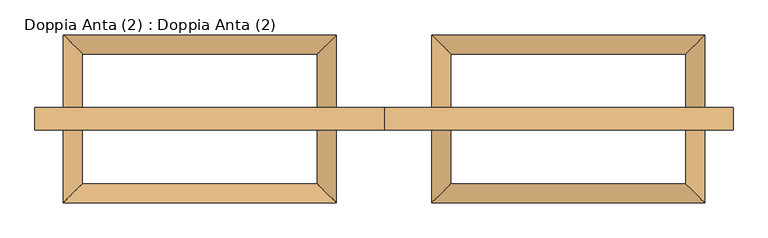
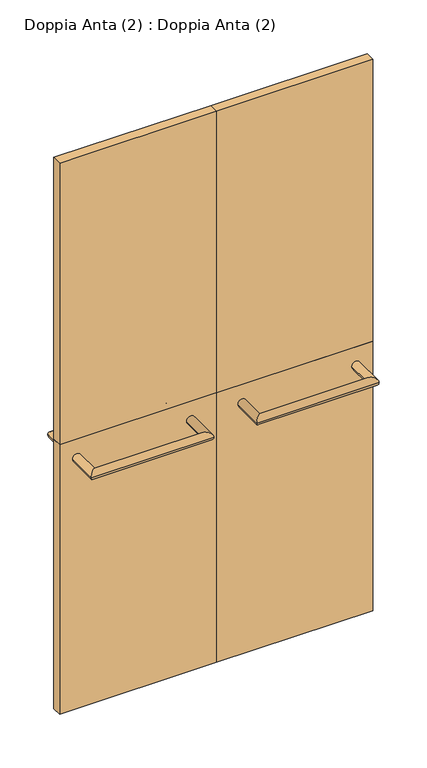
"""IFC4 building model written with IfcOpenShell, lengths in millimetres: door geometry, Doppia Anta (2) : Doppia Anta (2)."""

from ifc_helpers import new_model, si_unit, frame, origin, origin_with_axes, place, context, project, spatial, polyline, circle_curve, ellipse_curve, outline, extrude, source, transform, mapped, element, save
from ifc_brep_helpers import plane_surface, cylinder_surface, advanced_brep


def doppia_anta_2_doppia_anta_2_ed352f35(model_context):
    return source(origin(), model_context, "Body", "SolidModel", [
        extrude(outline(polyline([(0.0, 17.5), (0.0, -17.5), (-550.0, -17.5), (-550.0, 17.5), (0.0, 17.5)])), origin_with_axes(), (0.0, 0.0, 1.0), 1000.0),
        extrude(outline(polyline([(0.0, 17.5), (0.0, -17.5), (-550.0, -17.5), (-550.0, 17.5), (0.0, 17.5)])), frame((0.0, 0.0, 1000.0), z_axis=(0.0, 0.0, 1.0), x_axis=(1.0, 0.0, 0.0)), (0.0, 0.0, 1.0), 1045.0),
        extrude(outline(polyline([(550.0, 17.5), (550.0, -17.5), (0.0, -17.5), (0.0, 17.5), (550.0, 17.5)])), frame((0.0, 0.0, 1000.0), z_axis=(0.0, 0.0, 1.0), x_axis=(1.0, 0.0, 0.0)), (0.0, 0.0, 1.0), 1045.0),
        extrude(outline(polyline([(550.0, 17.5), (550.0, -17.5), (0.0, -17.5), (0.0, 17.5), (550.0, 17.5)])), origin_with_axes(), (0.0, 0.0, 1.0), 1000.0),
        advanced_brep(
        [(75.08, 17.5, 931.6623818), (105.08, 17.5, 931.6623818), (105.08, 102.5, 931.6623818), (75.08, 132.5, 931.6623818), (475.08, 102.5, 931.6623818), (505.08, 132.5, 931.6623818), (505.08, 17.5, 931.6623818), (475.08, 17.5, 931.6623818)],
        [
            (0, 1, circle_curve(frame((90.08, 17.5, 931.6623818), z_axis=(0.0, -1.0, 0.0), x_axis=(1.0, 0.0, 0.0)), 15.0)),
            (1, 0, circle_curve(frame((90.08, 17.5, 931.6623818), z_axis=(0.0, -1.0, 0.0), x_axis=(1.0, 0.0, 0.0)), 15.0)),
            (1, 2),
            (2, 3, ellipse_curve(frame((90.08, 117.5, 931.6623818), z_axis=(-0.7071067811865475, -0.7071067811865475, 0.0), x_axis=(0.7071067811865474, -0.7071067811865476, 0.0)), 21.2132034, 15.0)),
            (3, 0),
            (3, 2, ellipse_curve(frame((90.08, 117.5, 931.6623818), z_axis=(-0.7071067811865475, -0.7071067811865475, 0.0), x_axis=(0.7071067811865474, -0.7071067811865476, 0.0)), 21.2132034, 15.0)),
            (2, 4),
            (4, 5, ellipse_curve(frame((490.08, 117.5, 931.6623818), z_axis=(-0.7071067811865475, 0.7071067811865475, 0.0), x_axis=(-0.7071067811865476, -0.7071067811865474, 0.0)), 21.2132034, 15.0)),
            (5, 3),
            (5, 4, ellipse_curve(frame((490.08, 117.5, 931.6623818), z_axis=(-0.7071067811865475, 0.7071067811865475, 0.0), x_axis=(-0.7071067811865476, -0.7071067811865474, 0.0)), 21.2132034, 15.0)),
            (6, 7, circle_curve(frame((490.08, 17.5, 931.6623818), z_axis=(0.0, -1.0, 0.0), x_axis=(-1.0, 0.0, 0.0)), 15.0)),
            (7, 6, circle_curve(frame((490.08, 17.5, 931.6623818), z_axis=(0.0, -1.0, 0.0), x_axis=(-1.0, 0.0, 0.0)), 15.0)),
            (4, 7),
            (6, 5),
        ],
        [
            plane_surface(frame((90.08, 17.5, 931.6623818), z_axis=(0.0, -1.0, 0.0), x_axis=(0.0, 0.0, 1.0))),
            cylinder_surface(frame((90.08, 17.5, 931.6623818), z_axis=(0.0, -1.0, 0.0), x_axis=(1.0, 0.0, 0.0)), 15.0),
            cylinder_surface(frame((90.08, 117.5, 931.6623818), z_axis=(-1.0, 0.0, 0.0), x_axis=(0.0, -1.0, 0.0)), 15.0),
            plane_surface(frame((490.08, 17.5, 931.6623818), z_axis=(0.0, -1.0, 0.0), x_axis=(0.0, 0.0, 1.0))),
            cylinder_surface(frame((490.08, 117.5, 931.6623818), z_axis=(0.0, 1.0, 0.0), x_axis=(-1.0, 0.0, 0.0)), 15.0),
        ],
        [
            (0, [[1, 2]]),
            (1, [[3, 4, 5, -2]]),
            (1, [[-5, 6, -3, -1]]),
            (2, [[7, 8, 9, -4]]),
            (2, [[-9, 10, -7, -6]]),
            (3, [[11, 12]]),
            (4, [[13, -11, 14, -8]]),
            (4, [[-14, -12, -13, -10]]),
        ],
    ),
        advanced_brep(
        [(-505.0798099, 17.5, 931.6623818), (-475.0798099, 17.5, 931.6623818), (-475.0798099, 102.5, 931.6623818), (-505.0798099, 132.5, 931.6623818), (-105.0798099, 102.5, 931.6623818), (-75.0798099, 132.5, 931.6623818), (-75.0798099, 17.5, 931.6623818), (-105.0798099, 17.5, 931.6623818)],
        [
            (0, 1, circle_curve(frame((-490.0798099, 17.5, 931.6623818), z_axis=(0.0, -1.0, 0.0), x_axis=(1.0, 0.0, 0.0)), 15.0)),
            (1, 0, circle_curve(frame((-490.0798099, 17.5, 931.6623818), z_axis=(0.0, -1.0, 0.0), x_axis=(1.0, 0.0, 0.0)), 15.0)),
            (1, 2),
            (2, 3, ellipse_curve(frame((-490.0798099, 117.5, 931.6623818), z_axis=(-0.7071067811865475, -0.7071067811865475, 0.0), x_axis=(0.7071067811865474, -0.7071067811865476, 0.0)), 21.2132034, 15.0)),
            (3, 0),
            (3, 2, ellipse_curve(frame((-490.0798099, 117.5, 931.6623818), z_axis=(-0.7071067811865475, -0.7071067811865475, 0.0), x_axis=(0.7071067811865474, -0.7071067811865476, 0.0)), 21.2132034, 15.0)),
            (2, 4),
            (4, 5, ellipse_curve(frame((-90.0798099, 117.5, 931.6623818), z_axis=(-0.7071067811865475, 0.7071067811865475, 0.0), x_axis=(-0.7071067811865476, -0.7071067811865474, 0.0)), 21.2132034, 15.0)),
            (5, 3),
            (5, 4, ellipse_curve(frame((-90.0798099, 117.5, 931.6623818), z_axis=(-0.7071067811865475, 0.7071067811865475, 0.0), x_axis=(-0.7071067811865476, -0.7071067811865474, 0.0)), 21.2132034, 15.0)),
            (6, 7, circle_curve(frame((-90.0798099, 17.5, 931.6623818), z_axis=(0.0, -1.0, 0.0), x_axis=(-1.0, 0.0, 0.0)), 15.0)),
            (7, 6, circle_curve(frame((-90.0798099, 17.5, 931.6623818), z_axis=(0.0, -1.0, 0.0), x_axis=(-1.0, 0.0, 0.0)), 15.0)),
            (4, 7),
            (6, 5),
        ],
        [
            plane_surface(frame((-490.0798099, 17.5, 931.6623818), z_axis=(0.0, -1.0, 0.0), x_axis=(0.0, 0.0, 1.0))),
            cylinder_surface(frame((-490.0798099, 17.5, 931.6623818), z_axis=(0.0, -1.0, 0.0), x_axis=(1.0, 0.0, 0.0)), 15.0),
            cylinder_surface(frame((-490.0798099, 117.5, 931.6623818), z_axis=(-1.0, 0.0, 0.0), x_axis=(0.0, -1.0, 0.0)), 15.0),
            plane_surface(frame((-90.0798099, 17.5, 931.6623818), z_axis=(0.0, -1.0, 0.0), x_axis=(0.0, 0.0, 1.0))),
            cylinder_surface(frame((-90.0798099, 117.5, 931.6623818), z_axis=(0.0, 1.0, 0.0), x_axis=(-1.0, 0.0, 0.0)), 15.0),
        ],
        [
            (0, [[1, 2]]),
            (1, [[3, 4, 5, -2]]),
            (1, [[-5, 6, -3, -1]]),
            (2, [[7, 8, 9, -4]]),
            (2, [[-9, 10, -7, -6]]),
            (3, [[11, 12]]),
            (4, [[13, -11, 14, -8]]),
            (4, [[-14, -12, -13, -10]]),
        ],
    ),
        advanced_brep(
        [(105.08, -17.5, 931.6623818), (75.08, -17.5, 931.6623818), (75.08, -132.5, 931.6623818), (105.08, -102.5, 931.6623818), (505.08, -132.5, 931.6623818), (475.08, -102.5, 931.6623818), (475.08, -17.5, 931.6623818), (505.08, -17.5, 931.6623818)],
        [
            (0, 1, circle_curve(frame((90.08, -17.5, 931.6623818), z_axis=(0.0, 1.0, 0.0), x_axis=(-1.0, 0.0, 0.0)), 15.0)),
            (1, 0, circle_curve(frame((90.08, -17.5, 931.6623818), z_axis=(0.0, 1.0, 0.0), x_axis=(-1.0, 0.0, 0.0)), 15.0)),
            (1, 2),
            (2, 3, ellipse_curve(frame((90.08, -117.5, 931.6623818), z_axis=(-0.7071067811865475, 0.7071067811865475, 0.0), x_axis=(0.7071067811865474, 0.7071067811865476, 0.0)), 21.2132034, 15.0)),
            (3, 0),
            (3, 2, ellipse_curve(frame((90.08, -117.5, 931.6623818), z_axis=(-0.7071067811865475, 0.7071067811865475, 0.0), x_axis=(0.7071067811865474, 0.7071067811865476, 0.0)), 21.2132034, 15.0)),
            (2, 4),
            (4, 5, ellipse_curve(frame((490.08, -117.5, 931.6623818), z_axis=(-0.7071067811865475, -0.7071067811865475, 0.0), x_axis=(-0.7071067811865476, 0.7071067811865474, 0.0)), 21.2132034, 15.0)),
            (5, 3),
            (5, 4, ellipse_curve(frame((490.08, -117.5, 931.6623818), z_axis=(-0.7071067811865475, -0.7071067811865475, 0.0), x_axis=(-0.7071067811865476, 0.7071067811865474, 0.0)), 21.2132034, 15.0)),
            (6, 7, circle_curve(frame((490.08, -17.5, 931.6623818), z_axis=(0.0, 1.0, 0.0), x_axis=(1.0, 0.0, 0.0)), 15.0)),
            (7, 6, circle_curve(frame((490.08, -17.5, 931.6623818), z_axis=(0.0, 1.0, 0.0), x_axis=(1.0, 0.0, 0.0)), 15.0)),
            (4, 7),
            (6, 5),
        ],
        [
            plane_surface(frame((90.08, -17.5, 931.6623818), z_axis=(0.0, 1.0, 0.0), x_axis=(0.0, 0.0, 1.0))),
            cylinder_surface(frame((90.08, -17.5, 931.6623818), z_axis=(0.0, 1.0, 0.0), x_axis=(-1.0, 0.0, 0.0)), 15.0),
            cylinder_surface(frame((90.08, -117.5, 931.6623818), z_axis=(-1.0, 0.0, 0.0), x_axis=(0.0, -1.0, 0.0)), 15.0),
            plane_surface(frame((490.08, -17.5, 931.6623818), z_axis=(0.0, 1.0, 0.0), x_axis=(0.0, 0.0, 1.0))),
            cylinder_surface(frame((490.08, -117.5, 931.6623818), z_axis=(0.0, -1.0, 0.0), x_axis=(1.0, 0.0, 0.0)), 15.0),
        ],
        [
            (0, [[1, 2]]),
            (1, [[3, 4, 5, -2]]),
            (1, [[-5, 6, -3, -1]]),
            (2, [[7, 8, 9, -4]]),
            (2, [[-9, 10, -7, -6]]),
            (3, [[11, 12]]),
            (4, [[13, -11, 14, -8]]),
            (4, [[-14, -12, -13, -10]]),
        ],
    ),
        advanced_brep(
        [(-75.0798099, -17.5, 931.6623818), (-105.0798099, -17.5, 931.6623818), (-105.0798099, -102.5, 931.6623818), (-75.0798099, -132.5, 931.6623818), (-475.0798099, -102.5, 931.6623818), (-505.0798099, -132.5, 931.6623818), (-505.0798099, -17.5, 931.6623818), (-475.0798099, -17.5, 931.6623818)],
        [
            (0, 1, circle_curve(frame((-90.0798099, -17.5, 931.6623818), z_axis=(0.0, 1.0, 0.0), x_axis=(-1.0, 0.0, 0.0)), 15.0)),
            (1, 0, circle_curve(frame((-90.0798099, -17.5, 931.6623818), z_axis=(0.0, 1.0, 0.0), x_axis=(-1.0, 0.0, 0.0)), 15.0)),
            (1, 2),
            (2, 3, ellipse_curve(frame((-90.0798099, -117.5, 931.6623818), z_axis=(0.7071067811865475, 0.7071067811865475, 0.0), x_axis=(-0.7071067811865474, 0.7071067811865476, 0.0)), 21.2132034, 15.0)),
            (3, 0),
            (3, 2, ellipse_curve(frame((-90.0798099, -117.5, 931.6623818), z_axis=(0.7071067811865475, 0.7071067811865475, 0.0), x_axis=(-0.7071067811865474, 0.7071067811865476, 0.0)), 21.2132034, 15.0)),
            (2, 4),
            (4, 5, ellipse_curve(frame((-490.0798099, -117.5, 931.6623818), z_axis=(0.7071067811865475, -0.7071067811865475, 0.0), x_axis=(0.7071067811865476, 0.7071067811865474, 0.0)), 21.2132034, 15.0)),
            (5, 3),
            (5, 4, ellipse_curve(frame((-490.0798099, -117.5, 931.6623818), z_axis=(0.7071067811865475, -0.7071067811865475, 0.0), x_axis=(0.7071067811865476, 0.7071067811865474, 0.0)), 21.2132034, 15.0)),
            (6, 7, circle_curve(frame((-490.0798099, -17.5, 931.6623818), z_axis=(0.0, 1.0, 0.0), x_axis=(1.0, 0.0, 0.0)), 15.0)),
            (7, 6, circle_curve(frame((-490.0798099, -17.5, 931.6623818), z_axis=(0.0, 1.0, 0.0), x_axis=(1.0, 0.0, 0.0)), 15.0)),
            (4, 7),
            (6, 5),
        ],
        [
            plane_surface(frame((-90.0798099, -17.5, 931.6623818), z_axis=(0.0, 1.0, 0.0), x_axis=(0.0, 0.0, 1.0))),
            cylinder_surface(frame((-90.0798099, -17.5, 931.6623818), z_axis=(0.0, 1.0, 0.0), x_axis=(-1.0, 0.0, 0.0)), 15.0),
            cylinder_surface(frame((-90.0798099, -117.5, 931.6623818), z_axis=(1.0, 0.0, 0.0), x_axis=(0.0, 1.0, 0.0)), 15.0),
            plane_surface(frame((-490.0798099, -17.5, 931.6623818), z_axis=(0.0, 1.0, 0.0), x_axis=(0.0, 0.0, 1.0))),
            cylinder_surface(frame((-490.0798099, -117.5, 931.6623818), z_axis=(0.0, -1.0, 0.0), x_axis=(1.0, 0.0, 0.0)), 15.0),
        ],
        [
            (0, [[1, 2]]),
            (1, [[3, 4, 5, -2]]),
            (1, [[-5, 6, -3, -1]]),
            (2, [[7, 8, 9, -4]]),
            (2, [[-9, 10, -7, -6]]),
            (3, [[11, 12]]),
            (4, [[13, -11, 14, -8]]),
            (4, [[-14, -12, -13, -10]]),
        ],
    ),
    ])


if __name__ == "__main__":
    model = new_model("IFC4")
    model_context = context("Model", 3, world=origin())
    ifc_project = project(units=[si_unit("LENGTHUNIT", "METRE", prefix="MILLI")], contexts=[model_context])
    site = spatial("IfcSite", under=ifc_project)
    building = spatial("IfcBuilding", under=site)
    placement = place(None, origin())
    doppia_anta_2_doppia_anta_2_shape = doppia_anta_2_doppia_anta_2_ed352f35(model_context)
    element("IfcDoor", 1, ObjectType="Doppia Anta (2) : Doppia Anta (2)", at=placement, inside=building, context=model_context, shape_type="MappedRepresentation", body=[
        mapped(doppia_anta_2_doppia_anta_2_shape, transform((0.0, 0.0, 0.0), x_axis=(1.0, 0.0, 0.0), y_axis=(0.0, 1.0, 0.0), z_axis=(0.0, 0.0, 1.0))),
    ])
    save(model, "model.ifc")
